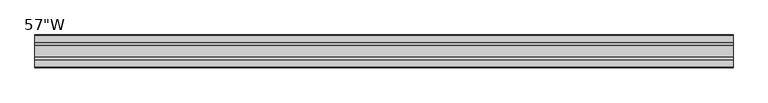
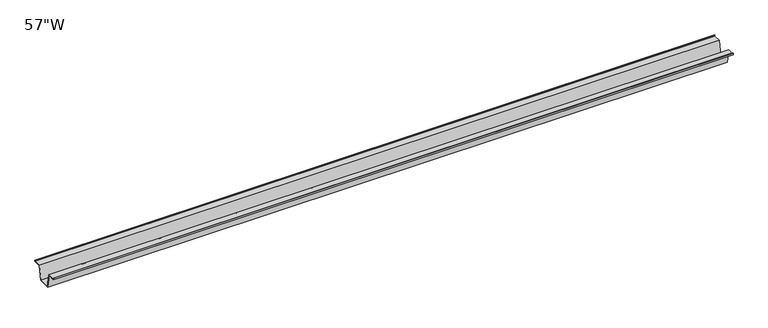
"""IFC4 building model written with IfcOpenShell, lengths in millimetres: furniture geometry."""

import ifcopenshell
import ifcopenshell.guid

model = None  # the IFC model being written
_history = None  # IfcOwnerHistory: only IFC2X3 demands one
_inside = {}  # id of a spatial element -> (the spatial element, [elements in it])
_under = {}  # id of a project, library or spatial element -> (it, [spatial elements below it])
_declared = {}  # id of a project -> (the project, [libraries it declares])
_typed = {}  # id of a type object -> (the type object, [elements of that type])
_made_of = {}  # id of a material, layer set ... -> (it, [elements and type objects made of it])


def new_model(schema):
    """Start an empty IFC model of exactly this schema.

    Asked for "IFC4X3", IfcOpenShell would pick the latest addendum, in which some entities
    have other attributes; the version numbers below select the first issue.
    IFC2X3 requires an IfcOwnerHistory on every rooted entity: one is made here for all.
    """
    global model, _history
    if schema == "IFC4X3":
        model = ifcopenshell.file(schema_version=(4, 3, 0, 0))
    else:
        model = ifcopenshell.file(schema=schema)
    _inside.clear()
    _under.clear()
    _declared.clear()
    _typed.clear()
    _made_of.clear()
    _history = None
    if model.schema == "IFC2X3":
        org = make("IfcOrganization", Name="unknown")
        user = make(
            "IfcPersonAndOrganization",
            ThePerson=make("IfcPerson", FamilyName="unknown"),
            TheOrganization=org,
        )
        app = make(
            "IfcApplication",
            ApplicationDeveloper=org,
            Version="unknown",
            ApplicationFullName="unknown",
            ApplicationIdentifier="unknown",
        )
        _history = make(
            "IfcOwnerHistory",
            OwningUser=user,
            OwningApplication=app,
            ChangeAction="ADDED",
            CreationDate=0,
        )
    return model


def make(cls, **values):
    """One entity of the class cls with the attributes given. An attribute that is None is left unset."""
    return model.create_entity(
        cls, **{name: value for name, value in values.items() if value is not None}
    )


def rooted(cls, **values):
    """An entity with a GlobalId (a new one), such as an element, a storey or a relation."""
    return make(cls, GlobalId=ifcopenshell.guid.new(), OwnerHistory=_history, **values)


def si_unit(unit_type, name, prefix=None):
    """IfcSIUnit, for example si_unit("LENGTHUNIT", "METRE", prefix="MILLI")."""
    return make("IfcSIUnit", UnitType=unit_type, Prefix=prefix, Name=name)


def assignment(units):
    """IfcUnitAssignment: the units of a project."""
    return None if units is None else make("IfcUnitAssignment", Units=units)


def point(xyz):
    """IfcCartesianPoint."""
    return None if xyz is None else make("IfcCartesianPoint", Coordinates=xyz)


def direction(xyz):
    """IfcDirection."""
    return None if xyz is None else make("IfcDirection", DirectionRatios=xyz)


def frame(location, z_axis=None, x_axis=None):
    """IfcAxis2Placement3D, a coordinate frame: its origin and axes. An axis left out is left unset."""
    return make(
        "IfcAxis2Placement3D",
        Location=point(location),
        Axis=direction(z_axis),
        RefDirection=direction(x_axis),
    )


def origin():
    """The frame at (0, 0, 0) with its axes left unset."""
    return frame((0.0, 0.0, 0.0))


def place(relative_to, where):
    """IfcLocalPlacement: puts the frame where relative to a parent placement (None: the world)."""
    return make(
        "IfcLocalPlacement", PlacementRelTo=relative_to, RelativePlacement=where
    )


def context(
    kind, dimensions, precision=None, world=None, true_north=None, identifier=None
):
    """IfcGeometricRepresentationContext, for example the 3D "Model" context."""
    return make(
        "IfcGeometricRepresentationContext",
        ContextIdentifier=identifier,
        ContextType=kind,
        CoordinateSpaceDimension=dimensions,
        Precision=precision,
        WorldCoordinateSystem=world,
        TrueNorth=true_north,
    )


def project(units=None, contexts=None):
    """IfcProject with its units and contexts."""
    return rooted(
        "IfcProject",
        Name="project",
        RepresentationContexts=contexts,
        UnitsInContext=assignment(units),
    )


def spatial(cls, under=None, at=None, **own):
    """A site, building, storey or space (cls), placed at a placement, below another one or the project."""
    s = rooted(cls, ObjectPlacement=at, **own)
    if under is not None:
        _under.setdefault(under.id(), (under, []))[1].append(s)
    return s


def polyline(points):
    """IfcPolyline through the points."""
    return make("IfcPolyline", Points=[point(p) for p in points])


def outline(outer, holes=None, kind="AREA"):
    """IfcArbitraryClosedProfileDef: a profile drawn as a closed curve; with holes, ...WithVoids."""
    if holes is None:
        return make("IfcArbitraryClosedProfileDef", ProfileType=kind, OuterCurve=outer)
    return make(
        "IfcArbitraryProfileDefWithVoids",
        ProfileType=kind,
        OuterCurve=outer,
        InnerCurves=holes,
    )


def extrude(swept, where, along, depth):
    """IfcExtrudedAreaSolid: the profile swept, set in the frame where, extruded along a direction by depth."""
    return make(
        "IfcExtrudedAreaSolid",
        SweptArea=swept,
        Position=where,
        ExtrudedDirection=direction(along),
        Depth=depth,
    )


def shape(context_of_items, identifier, shape_type, items):
    """IfcShapeRepresentation: the items that make up one representation, for example the "Body"."""
    return make(
        "IfcShapeRepresentation",
        ContextOfItems=context_of_items,
        RepresentationIdentifier=identifier,
        RepresentationType=shape_type,
        Items=items,
    )


def source(mapping_origin, context_of_items, identifier, shape_type, items):
    """IfcRepresentationMap: a shape defined once, which mapped items show again and again."""
    return make(
        "IfcRepresentationMap",
        MappingOrigin=mapping_origin,
        MappedRepresentation=shape(context_of_items, identifier, shape_type, items),
    )


def transform(
    local_origin,
    x_axis=None,
    y_axis=None,
    z_axis=None,
    scale=None,
    scale2=None,
    scale3=None,
    uniform=True,
):
    """IfcCartesianTransformationOperator3D, or its non-uniform kind. x_axis, y_axis, z_axis: its Axis1, 2, 3."""
    if uniform:
        return make(
            "IfcCartesianTransformationOperator3D",
            Axis1=direction(x_axis),
            Axis2=direction(y_axis),
            LocalOrigin=point(local_origin),
            Scale=scale,
            Axis3=direction(z_axis),
        )
    return make(
        "IfcCartesianTransformationOperator3DnonUniform",
        Axis1=direction(x_axis),
        Axis2=direction(y_axis),
        LocalOrigin=point(local_origin),
        Scale=scale,
        Axis3=direction(z_axis),
        Scale2=scale2,
        Scale3=scale3,
    )


def mapped(mapping_source, mapping_target):
    """IfcMappedItem: shows the shape of a source again, moved by a transform."""
    return make(
        "IfcMappedItem", MappingSource=mapping_source, MappingTarget=mapping_target
    )


def made_of(thing, what):
    """Note that an element or type object is made of a material, layer set ...; save() writes the relation."""
    if what is not None:
        _made_of.setdefault(what.id(), (what, []))[1].append(thing)
    return thing


def element(
    cls,
    number,
    at=None,
    inside=None,
    cuts=None,
    type_object=None,
    material=None,
    context=None,
    identifier="Body",
    shape_type=None,
    held_by="IfcProductDefinitionShape",
    body=None,
    shapes=None,
    **own,
):
    """One element of the class cls, such as IfcWall. Its Tag is "e" and its number.

    at: its placement. inside: the storey or other place that contains it. cuts: it is an
    opening in that element (IfcRelVoidsElement). A single representation is given by context,
    identifier, shape_type and body (its items); several are given by shapes. held_by: the class
    of the entity that holds the representations. save() writes the other relations.
    """
    e = rooted(cls, Tag="e%d" % number, ObjectPlacement=at, **own)
    if body is not None:
        shapes = [shape(context, identifier, shape_type, body)]
    if shapes is not None:
        e.Representation = make(held_by, Representations=shapes)
    if inside is not None:
        _inside.setdefault(inside.id(), (inside, []))[1].append(e)
    if cuts is not None:
        rooted(
            "IfcRelVoidsElement", RelatingBuildingElement=cuts, RelatedOpeningElement=e
        )
    if type_object is not None:
        _typed.setdefault(type_object.id(), (type_object, []))[1].append(e)
    return made_of(e, material)


def aggregate(whole, parts):
    """IfcRelAggregates: a whole, such as a stair, and the parts it consists of."""
    return rooted("IfcRelAggregates", RelatingObject=whole, RelatedObjects=parts)


def save(model, path):
    """Write the relations noted so far, then the file.

    IfcRelAggregates (storeys below a building ...), IfcRelContainedInSpatialStructure (elements
    in a storey), IfcRelDefinesByType, IfcRelAssociatesMaterial and IfcRelDeclares: one each for
    every whole, place, type object, material and project.
    """
    for whole, parts in _under.values():
        aggregate(whole, parts)
    for where, things in _inside.values():
        rooted(
            "IfcRelContainedInSpatialStructure",
            RelatedElements=things,
            RelatingStructure=where,
        )
    for kind, things in _typed.values():
        rooted("IfcRelDefinesByType", RelatedObjects=things, RelatingType=kind)
    for what, things in _made_of.values():
        rooted("IfcRelAssociatesMaterial", RelatedObjects=things, RelatingMaterial=what)
    for by, libraries in _declared.values():
        rooted("IfcRelDeclares", RelatingContext=by, RelatedDefinitions=libraries)
    model.write(path)


def furniture_a6593f82(model_context):
    return source(origin(), model_context, "Body", "SweptSolid", [
        extrude(outline(polyline([(-22.9397721, 701.675), (-28.502372, 671.4490007), (-53.9023728, 671.4490007), (-59.4649727, 701.675), (-75.3653716, 701.675), (-75.3653716, 704.85), (-74.5716216, 704.85), (-74.5716216, 702.46875), (-58.8172994, 702.46875), (-53.2546995, 672.2427507), (-29.1500453, 672.2427507), (-23.5874454, 702.46875), (-7.8331232, 702.46875), (-7.8331232, 704.85), (-7.0393732, 704.85), (-7.0393732, 701.675), (-22.9397721, 701.675)])), frame((-728.98, 0.0, 0.0), z_axis=(1.0, 0.0, 0.0), x_axis=(0.0, 1.0, 0.0)), (0.0, 0.0, 1.0), 1457.96),
    ])


if __name__ == "__main__":
    model = new_model("IFC4")
    model_context = context("Model", 3, world=origin())
    ifc_project = project(units=[si_unit("LENGTHUNIT", "METRE", prefix="MILLI")], contexts=[model_context])
    site = spatial("IfcSite", under=ifc_project)
    building = spatial("IfcBuilding", under=site)
    placement = place(None, origin())
    furniture_shape = furniture_a6593f82(model_context)
    element("IfcFurniture", 1, ObjectType="57\"W", at=placement, inside=building, context=model_context, shape_type="MappedRepresentation", body=[
        mapped(furniture_shape, transform((0.0, 0.0, 0.0), x_axis=(1.0, 0.0, 0.0), y_axis=(0.0, 1.0, 0.0), z_axis=(0.0, 0.0, 1.0))),
    ])
    save(model, "model.ifc")
